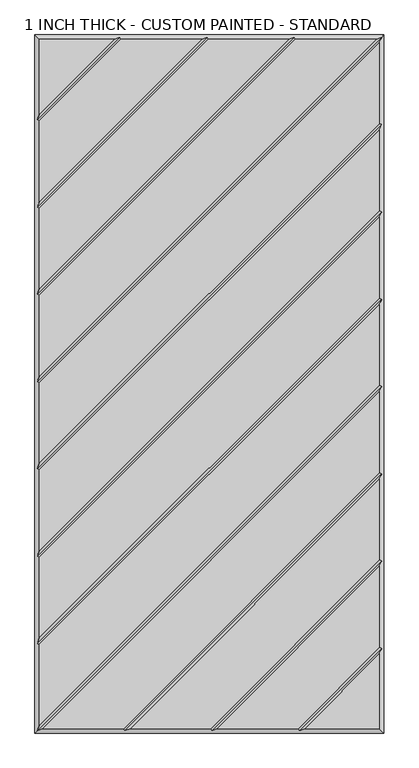
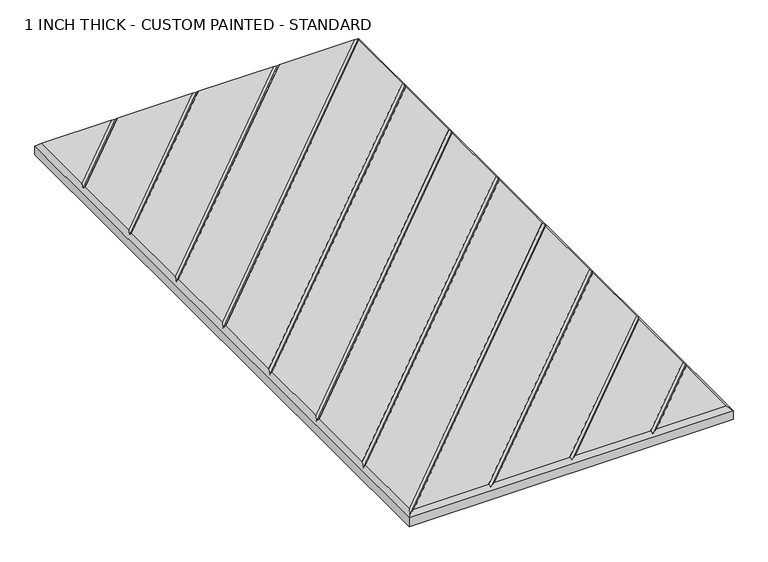
"""IFC4 building model written with IfcOpenShell, lengths in millimetres: proxy geometry, 1 INCH THICK - CUSTOM PAINTED - STANDARD."""

import ifcopenshell
import ifcopenshell.guid

model = None  # the IFC model being written
_history = None  # IfcOwnerHistory: only IFC2X3 demands one
_inside = {}  # id of a spatial element -> (the spatial element, [elements in it])
_under = {}  # id of a project, library or spatial element -> (it, [spatial elements below it])
_declared = {}  # id of a project -> (the project, [libraries it declares])
_typed = {}  # id of a type object -> (the type object, [elements of that type])
_made_of = {}  # id of a material, layer set ... -> (it, [elements and type objects made of it])


def new_model(schema):
    """Start an empty IFC model of exactly this schema.

    Asked for "IFC4X3", IfcOpenShell would pick the latest addendum, in which some entities
    have other attributes; the version numbers below select the first issue.
    IFC2X3 requires an IfcOwnerHistory on every rooted entity: one is made here for all.
    """
    global model, _history
    if schema == "IFC4X3":
        model = ifcopenshell.file(schema_version=(4, 3, 0, 0))
    else:
        model = ifcopenshell.file(schema=schema)
    _inside.clear()
    _under.clear()
    _declared.clear()
    _typed.clear()
    _made_of.clear()
    _history = None
    if model.schema == "IFC2X3":
        org = make("IfcOrganization", Name="unknown")
        user = make(
            "IfcPersonAndOrganization",
            ThePerson=make("IfcPerson", FamilyName="unknown"),
            TheOrganization=org,
        )
        app = make(
            "IfcApplication",
            ApplicationDeveloper=org,
            Version="unknown",
            ApplicationFullName="unknown",
            ApplicationIdentifier="unknown",
        )
        _history = make(
            "IfcOwnerHistory",
            OwningUser=user,
            OwningApplication=app,
            ChangeAction="ADDED",
            CreationDate=0,
        )
    return model


def make(cls, **values):
    """One entity of the class cls with the attributes given. An attribute that is None is left unset."""
    return model.create_entity(
        cls, **{name: value for name, value in values.items() if value is not None}
    )


def rooted(cls, **values):
    """An entity with a GlobalId (a new one), such as an element, a storey or a relation."""
    return make(cls, GlobalId=ifcopenshell.guid.new(), OwnerHistory=_history, **values)


def si_unit(unit_type, name, prefix=None):
    """IfcSIUnit, for example si_unit("LENGTHUNIT", "METRE", prefix="MILLI")."""
    return make("IfcSIUnit", UnitType=unit_type, Prefix=prefix, Name=name)


def assignment(units):
    """IfcUnitAssignment: the units of a project."""
    return None if units is None else make("IfcUnitAssignment", Units=units)


def point(xyz):
    """IfcCartesianPoint."""
    return None if xyz is None else make("IfcCartesianPoint", Coordinates=xyz)


def direction(xyz):
    """IfcDirection."""
    return None if xyz is None else make("IfcDirection", DirectionRatios=xyz)


def frame(location, z_axis=None, x_axis=None):
    """IfcAxis2Placement3D, a coordinate frame: its origin and axes. An axis left out is left unset."""
    return make(
        "IfcAxis2Placement3D",
        Location=point(location),
        Axis=direction(z_axis),
        RefDirection=direction(x_axis),
    )


def origin():
    """The frame at (0, 0, 0) with its axes left unset."""
    return frame((0.0, 0.0, 0.0))


def place(relative_to, where):
    """IfcLocalPlacement: puts the frame where relative to a parent placement (None: the world)."""
    return make(
        "IfcLocalPlacement", PlacementRelTo=relative_to, RelativePlacement=where
    )


def context(
    kind, dimensions, precision=None, world=None, true_north=None, identifier=None
):
    """IfcGeometricRepresentationContext, for example the 3D "Model" context."""
    return make(
        "IfcGeometricRepresentationContext",
        ContextIdentifier=identifier,
        ContextType=kind,
        CoordinateSpaceDimension=dimensions,
        Precision=precision,
        WorldCoordinateSystem=world,
        TrueNorth=true_north,
    )


def project(units=None, contexts=None):
    """IfcProject with its units and contexts."""
    return rooted(
        "IfcProject",
        Name="project",
        RepresentationContexts=contexts,
        UnitsInContext=assignment(units),
    )


def spatial(cls, under=None, at=None, **own):
    """A site, building, storey or space (cls), placed at a placement, below another one or the project."""
    s = rooted(cls, ObjectPlacement=at, **own)
    if under is not None:
        _under.setdefault(under.id(), (under, []))[1].append(s)
    return s


def faces_of(points, faces, orient=None, outer=None):
    """IfcFace entities. A face is a list of loops; a loop is a list of indices into points, from 0.

    orient and outer hold one flag for each loop. By default every Orientation is true, the
    first loop of a face is its IfcFaceOuterBound and the others are IfcFaceBound.
    """
    made = []
    for i, loops in enumerate(faces):
        bounds = []
        for j, loop in enumerate(loops):
            is_outer = j == 0 if outer is None else outer[i][j]
            bounds.append(
                make(
                    "IfcFaceOuterBound" if is_outer else "IfcFaceBound",
                    Bound=make("IfcPolyLoop", Polygon=[points[k] for k in loop]),
                    Orientation=True if orient is None else orient[i][j],
                )
            )
        made.append(make("IfcFace", Bounds=bounds))
    return made


def faceted_brep(points, faces, orient=None, outer=None, voids=None):
    """IfcFacetedBrep: a solid bounded by flat faces; with voids (closed shells), ...WithVoids."""
    shared = [point(p) for p in points]
    hull = make("IfcClosedShell", CfsFaces=faces_of(shared, faces, orient, outer))
    if voids is None:
        return make("IfcFacetedBrep", Outer=hull)
    return make(
        "IfcFacetedBrepWithVoids",
        Outer=hull,
        Voids=[
            make(cls, CfsFaces=faces_of(shared, fs, o, b)) for cls, fs, o, b in voids
        ],
    )


def shape(context_of_items, identifier, shape_type, items):
    """IfcShapeRepresentation: the items that make up one representation, for example the "Body"."""
    return make(
        "IfcShapeRepresentation",
        ContextOfItems=context_of_items,
        RepresentationIdentifier=identifier,
        RepresentationType=shape_type,
        Items=items,
    )


def source(mapping_origin, context_of_items, identifier, shape_type, items):
    """IfcRepresentationMap: a shape defined once, which mapped items show again and again."""
    return make(
        "IfcRepresentationMap",
        MappingOrigin=mapping_origin,
        MappedRepresentation=shape(context_of_items, identifier, shape_type, items),
    )


def transform(
    local_origin,
    x_axis=None,
    y_axis=None,
    z_axis=None,
    scale=None,
    scale2=None,
    scale3=None,
    uniform=True,
):
    """IfcCartesianTransformationOperator3D, or its non-uniform kind. x_axis, y_axis, z_axis: its Axis1, 2, 3."""
    if uniform:
        return make(
            "IfcCartesianTransformationOperator3D",
            Axis1=direction(x_axis),
            Axis2=direction(y_axis),
            LocalOrigin=point(local_origin),
            Scale=scale,
            Axis3=direction(z_axis),
        )
    return make(
        "IfcCartesianTransformationOperator3DnonUniform",
        Axis1=direction(x_axis),
        Axis2=direction(y_axis),
        LocalOrigin=point(local_origin),
        Scale=scale,
        Axis3=direction(z_axis),
        Scale2=scale2,
        Scale3=scale3,
    )


def mapped(mapping_source, mapping_target):
    """IfcMappedItem: shows the shape of a source again, moved by a transform."""
    return make(
        "IfcMappedItem", MappingSource=mapping_source, MappingTarget=mapping_target
    )


def made_of(thing, what):
    """Note that an element or type object is made of a material, layer set ...; save() writes the relation."""
    if what is not None:
        _made_of.setdefault(what.id(), (what, []))[1].append(thing)
    return thing


def element(
    cls,
    number,
    at=None,
    inside=None,
    cuts=None,
    type_object=None,
    material=None,
    context=None,
    identifier="Body",
    shape_type=None,
    held_by="IfcProductDefinitionShape",
    body=None,
    shapes=None,
    **own,
):
    """One element of the class cls, such as IfcWall. Its Tag is "e" and its number.

    at: its placement. inside: the storey or other place that contains it. cuts: it is an
    opening in that element (IfcRelVoidsElement). A single representation is given by context,
    identifier, shape_type and body (its items); several are given by shapes. held_by: the class
    of the entity that holds the representations. save() writes the other relations.
    """
    e = rooted(cls, Tag="e%d" % number, ObjectPlacement=at, **own)
    if body is not None:
        shapes = [shape(context, identifier, shape_type, body)]
    if shapes is not None:
        e.Representation = make(held_by, Representations=shapes)
    if inside is not None:
        _inside.setdefault(inside.id(), (inside, []))[1].append(e)
    if cuts is not None:
        rooted(
            "IfcRelVoidsElement", RelatingBuildingElement=cuts, RelatedOpeningElement=e
        )
    if type_object is not None:
        _typed.setdefault(type_object.id(), (type_object, []))[1].append(e)
    return made_of(e, material)


def aggregate(whole, parts):
    """IfcRelAggregates: a whole, such as a stair, and the parts it consists of."""
    return rooted("IfcRelAggregates", RelatingObject=whole, RelatedObjects=parts)


def save(model, path):
    """Write the relations noted so far, then the file.

    IfcRelAggregates (storeys below a building ...), IfcRelContainedInSpatialStructure (elements
    in a storey), IfcRelDefinesByType, IfcRelAssociatesMaterial and IfcRelDeclares: one each for
    every whole, place, type object, material and project.
    """
    for whole, parts in _under.values():
        aggregate(whole, parts)
    for where, things in _inside.values():
        rooted(
            "IfcRelContainedInSpatialStructure",
            RelatedElements=things,
            RelatingStructure=where,
        )
    for kind, things in _typed.values():
        rooted("IfcRelDefinesByType", RelatedObjects=things, RelatingType=kind)
    for what, things in _made_of.values():
        rooted("IfcRelAssociatesMaterial", RelatedObjects=things, RelatingMaterial=what)
    for by, libraries in _declared.values():
        rooted("IfcRelDeclares", RelatingContext=by, RelatedDefinitions=libraries)
    model.write(path)


def proxy_1_inch_thick_custom_painted_standard_914e22e2(model_context):
    return source(origin(), model_context, "Body", "Brep", [
        faceted_brep([(-166.0590948, 601.599, 25.4), (-296.799, 601.599, 25.4), (-296.799, 470.8590948, 25.4), (-154.743972, 601.599, 25.4), (-296.799, 459.543972, 25.4), (-296.799, 318.4585868, 25.4), (-13.6585868, 601.599, 25.4), (-2.343464, 601.599, 25.4), (-296.799, 307.143464, 25.4), (-296.799, 166.0585747, 25.4), (138.7419092, 601.599, 25.4), (150.0570382, 601.599, 25.4), (-296.799, 154.7434583, 25.4), (-296.799, 13.6585614, 25.4), (291.1414386, 601.599, 25.4), (296.799, 595.9414386, 25.4), (-296.799, 2.3434386, 25.4), (-296.799, -138.7414132, 25.4), (296.799, 454.8565868, 25.4), (296.799, 443.541464, 25.4), (-296.799, -150.056536, 25.4), (-296.799, -291.1414132, 25.4), (296.799, 302.4565868, 25.4), (296.799, 291.141464, 25.4), (-296.799, -302.456536, 25.4), (-296.799, -443.5414132, 25.4), (296.799, 150.0565868, 25.4), (296.799, 138.741464, 25.4), (-296.799, -454.856536, 25.4), (-296.799, -595.9414386, 25.4), (296.799, -2.3434386, 25.4), (296.799, -13.6585614, 25.4), (-291.1414386, -601.599, 25.4), (-150.0565868, -601.599, 25.4), (296.799, -154.7434132, 25.4), (296.799, -166.058536, 25.4), (-138.741464, -601.599, 25.4), (2.3434382, -601.599, 25.4), (296.799, -307.1434137, 25.4), (296.799, -318.4585369, 25.4), (13.6585605, -601.599, 25.4), (154.743904, -601.599, 25.4), (296.799, -459.5434305, 25.4), (166.0590079, -601.599, 25.4), (296.799, -601.599, 25.4), (296.799, -470.8585721, 25.4), (-304.8, 609.6, 0.0), (304.8, 609.6, 0.0), (304.8, -609.6, 0.0), (-304.8, -609.6, 0.0), (-304.8, -609.6, 17.399), (-304.8, 609.6, 17.399), (304.8, -609.6, 17.399), (304.8, 609.6, 17.399), (-156.4010334, 605.5995, 21.3995), (-4.0005254, 605.5995, 21.3995), (148.3999782, 605.5995, 21.3995), (300.7995, 605.5995, 21.3995), (-300.7995, -605.5995, 21.3995), (-300.7995, -453.1994746, 21.3995), (-300.7995, -300.7994746, 21.3995), (-300.7995, -148.3994746, 21.3995), (-300.7995, 4.0005, 21.3995), (-300.7995, 156.400521, 21.3995), (-300.7995, 308.8005254, 21.3995), (-300.7995, 461.2010334, 21.3995), (156.4009693, -605.5995, 21.3995), (4.0004997, -605.5995, 21.3995), (-148.3995254, -605.5995, 21.3995), (300.7995, 453.1995254, 21.3995), (300.7995, 300.7995254, 21.3995), (300.7995, 148.3995254, 21.3995), (300.7995, -4.0005, 21.3995), (300.7995, -156.4004746, 21.3995), (300.7995, -308.8004749, 21.3995), (300.7995, -461.2004879, 21.3995)], [[[0, 1, 2]], [[3, 4, 5, 6]], [[7, 8, 9, 10]], [[11, 12, 13, 14]], [[15, 16, 17, 18]], [[19, 20, 21, 22]], [[23, 24, 25, 26]], [[27, 28, 29, 30]], [[31, 32, 33, 34]], [[35, 36, 37, 38]], [[39, 40, 41, 42]], [[43, 44, 45]], [[46, 47, 48, 49]], [[46, 49, 50, 51]], [[49, 48, 52, 50]], [[48, 47, 53, 52]], [[47, 46, 51, 53]], [[51, 1, 0, 54, 3, 6, 55, 7, 10, 56, 11, 14, 57, 53]], [[1, 51, 50, 58, 29, 28, 59, 25, 24, 60, 21, 20, 61, 17, 16, 62, 13, 12, 63, 9, 8, 64, 5, 4, 65, 2]], [[52, 44, 43, 66, 41, 40, 67, 37, 36, 68, 33, 32, 58, 50]], [[44, 52, 53, 57, 15, 18, 69, 19, 22, 70, 23, 26, 71, 27, 30, 72, 31, 34, 73, 35, 38, 74, 39, 42, 75, 45]], [[65, 54, 0, 2]], [[54, 65, 4, 3]], [[64, 55, 6, 5]], [[55, 64, 8, 7]], [[63, 56, 10, 9]], [[56, 63, 12, 11]], [[62, 57, 14, 13]], [[57, 62, 16, 15]], [[61, 69, 18, 17]], [[69, 61, 20, 19]], [[60, 70, 22, 21]], [[70, 60, 24, 23]], [[59, 71, 26, 25]], [[71, 59, 28, 27]], [[58, 72, 30, 29]], [[72, 58, 32, 31]], [[68, 73, 34, 33]], [[73, 68, 36, 35]], [[67, 74, 38, 37]], [[74, 67, 40, 39]], [[66, 75, 42, 41]], [[75, 66, 43, 45]]]),
    ])


if __name__ == "__main__":
    model = new_model("IFC4")
    model_context = context("Model", 3, world=origin())
    ifc_project = project(units=[si_unit("LENGTHUNIT", "METRE", prefix="MILLI")], contexts=[model_context])
    site = spatial("IfcSite", under=ifc_project)
    building = spatial("IfcBuilding", under=site)
    placement = place(None, origin())
    proxy_1_inch_thick_custom_painted_standard_shape = proxy_1_inch_thick_custom_painted_standard_914e22e2(model_context)
    element("IfcBuildingElementProxy", 1, Name="1 INCH THICK - CUSTOM PAINTED - STANDARD", ObjectType="1 INCH THICK - CUSTOM PAINTED - STANDARD", at=placement, inside=building, context=model_context, shape_type="MappedRepresentation", body=[
        mapped(proxy_1_inch_thick_custom_painted_standard_shape, transform((0.0, 0.0, 0.0), x_axis=(1.0, 0.0, 0.0), y_axis=(0.0, 1.0, 0.0), z_axis=(0.0, 0.0, 1.0))),
    ])
    save(model, "model.ifc")
